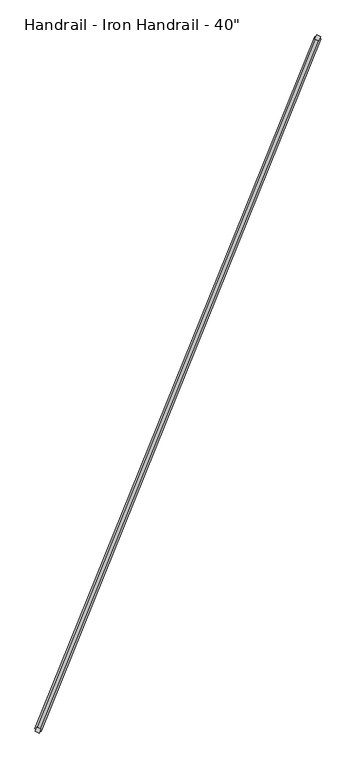
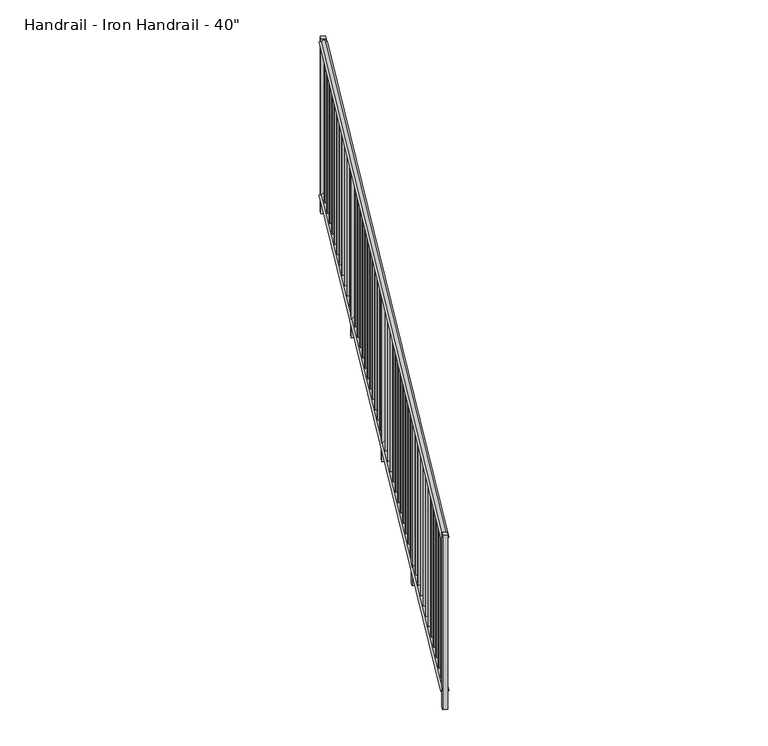
"""IFC4 building model written with IfcOpenShell, lengths in millimetres: railing geometry."""

from ifc_helpers import new_model, si_unit, point, frame, frame_2d, origin, place, context, project, spatial, polyline, circle_curve, trimmed, segment, composite_curve, outline, extrude, source, transform, mapped, element, save


def railing_c544e006(model_context):
    return source(origin(), model_context, "Body", "SweptSolid", [
        extrude(outline(composite_curve([segment(trimmed(circle_curve(frame_2d((9.525, 0.0)), 9.525), [point((19.05, 0.0))], [point((9.525, -9.525))], False, "CARTESIAN"), True, "CONTINUOUS"), segment(trimmed(circle_curve(frame_2d((0.0, -9.525)), 9.525), [point((9.525, -9.525))], [point((-9.525, -9.525))], False, "CARTESIAN"), True, "CONTINUOUS"), segment(trimmed(circle_curve(frame_2d((-9.525, 0.0)), 9.525), [point((-9.525, -9.525))], [point((-19.05, 0.0))], False, "CARTESIAN"), True, "CONTINUOUS"), segment(polyline([(-19.05, 0.0), (19.05, 0.0)]), True, "CONTINUOUS")], self_intersect=False)), frame((-15926.6106463, -6533.482808, 4064.0), z_axis=(0.3746065934159134, 0.9271838545667869, 0.0), x_axis=(0.9271838545667869, -0.3746065934159134, 0.0)), (0.0, 0.0, 1.0), 4267.2),
        extrude(outline(composite_curve([segment(trimmed(circle_curve(frame_2d((9.525, 0.0)), 9.525), [point((19.05, 0.0))], [point((9.525, -9.525))], False, "CARTESIAN"), True, "CONTINUOUS"), segment(trimmed(circle_curve(frame_2d((0.0, -9.525)), 9.525), [point((9.525, -9.525))], [point((-9.525, -9.525))], False, "CARTESIAN"), True, "CONTINUOUS"), segment(trimmed(circle_curve(frame_2d((-9.525, 0.0)), 9.525), [point((-9.525, -9.525))], [point((-19.05, 0.0))], False, "CARTESIAN"), True, "CONTINUOUS"), segment(polyline([(-19.05, 0.0), (19.05, 0.0)]), True, "CONTINUOUS")], self_intersect=False)), frame((-15926.6106463, -6533.482808, 3149.6), z_axis=(0.3746065934159134, 0.9271838545667869, 0.0), x_axis=(0.9271838545667869, -0.3746065934159134, 0.0)), (0.0, 0.0, 1.0), 4267.2),
        extrude(outline(polyline([(-14357.8830514, -2667.6968778), (-14369.6582864, -2662.9393741), (-14364.9007826, -2651.1641391), (-14353.1255477, -2655.9216429), (-14357.8830514, -2667.6968778)])), frame((0.0, 0.0, 3168.65), z_axis=(0.0, 0.0, 1.0), x_axis=(1.0, 0.0, 0.0)), (0.0, 0.0, 1.0), 895.35),
        extrude(outline(polyline([(-14391.1855776, -2750.1235225), (-14402.9608125, -2745.3660188), (-14398.2033088, -2733.5907838), (-14386.4280738, -2738.3482876), (-14391.1855776, -2750.1235225)])), frame((0.0, 0.0, 3168.65), z_axis=(0.0, 0.0, 1.0), x_axis=(1.0, 0.0, 0.0)), (0.0, 0.0, 1.0), 895.35),
        extrude(outline(polyline([(-14424.4881037, -2832.5501672), (-14436.2633387, -2827.7926634), (-14431.5058349, -2816.0174285), (-14419.7306, -2820.7749322), (-14424.4881037, -2832.5501672)])), frame((0.0, 0.0, 3168.65), z_axis=(0.0, 0.0, 1.0), x_axis=(1.0, 0.0, 0.0)), (0.0, 0.0, 1.0), 895.35),
        extrude(outline(polyline([(-14457.7906299, -2914.9768118), (-14469.5658648, -2910.2193081), (-14464.8083611, -2898.4440732), (-14453.0331261, -2903.2015769), (-14457.7906299, -2914.9768118)])), frame((0.0, 0.0, 3168.65), z_axis=(0.0, 0.0, 1.0), x_axis=(1.0, 0.0, 0.0)), (0.0, 0.0, 1.0), 895.35),
        extrude(outline(polyline([(-14491.093156, -2997.4034565), (-14502.868391, -2992.6459528), (-14498.1108872, -2980.8707178), (-14486.3356523, -2985.6282216), (-14491.093156, -2997.4034565)])), frame((0.0, 0.0, 3168.65), z_axis=(0.0, 0.0, 1.0), x_axis=(1.0, 0.0, 0.0)), (0.0, 0.0, 1.0), 895.35),
        extrude(outline(polyline([(-14524.3956822, -3079.8301012), (-14536.1709171, -3075.0725975), (-14531.4134134, -3063.2973625), (-14519.6381784, -3068.0548662), (-14524.3956822, -3079.8301012)])), frame((0.0, 0.0, 3168.65), z_axis=(0.0, 0.0, 1.0), x_axis=(1.0, 0.0, 0.0)), (0.0, 0.0, 1.0), 895.35),
        extrude(outline(polyline([(-14557.6982083, -3162.2567459), (-14569.4734433, -3157.4992421), (-14564.7159396, -3145.7240072), (-14552.9407046, -3150.4815109), (-14557.6982083, -3162.2567459)])), frame((0.0, 0.0, 3168.65), z_axis=(0.0, 0.0, 1.0), x_axis=(1.0, 0.0, 0.0)), (0.0, 0.0, 1.0), 895.35),
        extrude(outline(polyline([(-14591.0007345, -3244.6833905), (-14602.7759694, -3239.9258868), (-14598.0184657, -3228.1506518), (-14586.2432308, -3232.9081556), (-14591.0007345, -3244.6833905)])), frame((0.0, 0.0, 3168.65), z_axis=(0.0, 0.0, 1.0), x_axis=(1.0, 0.0, 0.0)), (0.0, 0.0, 1.0), 895.35),
        extrude(outline(polyline([(-14624.3032606, -3327.1100352), (-14636.0784956, -3322.3525315), (-14631.3209919, -3310.5772965), (-14619.5457569, -3315.3348002), (-14624.3032606, -3327.1100352)])), frame((0.0, 0.0, 3168.65), z_axis=(0.0, 0.0, 1.0), x_axis=(1.0, 0.0, 0.0)), (0.0, 0.0, 1.0), 895.35),
        extrude(outline(polyline([(-14657.6057868, -3409.5366799), (-14669.3810218, -3404.7791761), (-14664.623518, -3393.0039412), (-14652.8482831, -3397.7614449), (-14657.6057868, -3409.5366799)])), frame((0.0, 0.0, 3168.65), z_axis=(0.0, 0.0, 1.0), x_axis=(1.0, 0.0, 0.0)), (0.0, 0.0, 1.0), 895.35),
        extrude(outline(polyline([(-14690.908313, -3491.9633245), (-14702.6835479, -3487.2058208), (-14697.9260442, -3475.4305859), (-14686.1508092, -3480.1880896), (-14690.908313, -3491.9633245)])), frame((0.0, 0.0, 3168.65), z_axis=(0.0, 0.0, 1.0), x_axis=(1.0, 0.0, 0.0)), (0.0, 0.0, 1.0), 895.35),
        extrude(outline(polyline([(-14720.7019735, -3582.6563386), (-14744.2524434, -3573.1413311), (-14734.7374359, -3549.5908612), (-14711.186966, -3559.1058687), (-14720.7019735, -3582.6563386)])), frame((0.0, 0.0, 3048.0), z_axis=(0.0, 0.0, 1.0), x_axis=(1.0, 0.0, 0.0)), (0.0, 0.0, 1.0), 1016.0),
        extrude(outline(polyline([(-14757.5133653, -3656.8166139), (-14769.2886002, -3652.0591101), (-14764.5310965, -3640.2838752), (-14752.7558615, -3645.0413789), (-14757.5133653, -3656.8166139)])), frame((0.0, 0.0, 3168.65), z_axis=(0.0, 0.0, 1.0), x_axis=(1.0, 0.0, 0.0)), (0.0, 0.0, 1.0), 895.35),
        extrude(outline(polyline([(-14790.8158914, -3739.2432586), (-14802.5911264, -3734.4857548), (-14797.8336226, -3722.7105199), (-14786.0583877, -3727.4680236), (-14790.8158914, -3739.2432586)])), frame((0.0, 0.0, 3168.65), z_axis=(0.0, 0.0, 1.0), x_axis=(1.0, 0.0, 0.0)), (0.0, 0.0, 1.0), 895.35),
        extrude(outline(polyline([(-14824.1184176, -3821.6699032), (-14835.8936525, -3816.9123995), (-14831.1361488, -3805.1371645), (-14819.3609138, -3809.8946683), (-14824.1184176, -3821.6699032)])), frame((0.0, 0.0, 3168.65), z_axis=(0.0, 0.0, 1.0), x_axis=(1.0, 0.0, 0.0)), (0.0, 0.0, 1.0), 895.35),
        extrude(outline(polyline([(-14857.4209437, -3904.0965479), (-14869.1961787, -3899.3390442), (-14864.4386749, -3887.5638092), (-14852.66344, -3892.3213129), (-14857.4209437, -3904.0965479)])), frame((0.0, 0.0, 3168.65), z_axis=(0.0, 0.0, 1.0), x_axis=(1.0, 0.0, 0.0)), (0.0, 0.0, 1.0), 895.35),
        extrude(outline(polyline([(-14890.7234699, -3986.5231926), (-14902.4987048, -3981.7656888), (-14897.7412011, -3969.9904539), (-14885.9659661, -3974.7479576), (-14890.7234699, -3986.5231926)])), frame((0.0, 0.0, 3168.65), z_axis=(0.0, 0.0, 1.0), x_axis=(1.0, 0.0, 0.0)), (0.0, 0.0, 1.0), 895.35),
        extrude(outline(polyline([(-14924.025996, -4068.9498372), (-14935.801231, -4064.1923335), (-14931.0437273, -4052.4170986), (-14919.2684923, -4057.1746023), (-14924.025996, -4068.9498372)])), frame((0.0, 0.0, 3168.65), z_axis=(0.0, 0.0, 1.0), x_axis=(1.0, 0.0, 0.0)), (0.0, 0.0, 1.0), 895.35),
        extrude(outline(polyline([(-14957.3285222, -4151.3764819), (-14969.1037571, -4146.6189782), (-14964.3462534, -4134.8437432), (-14952.5710185, -4139.601247), (-14957.3285222, -4151.3764819)])), frame((0.0, 0.0, 3168.65), z_axis=(0.0, 0.0, 1.0), x_axis=(1.0, 0.0, 0.0)), (0.0, 0.0, 1.0), 895.35),
        extrude(outline(polyline([(-14990.6310483, -4233.8031266), (-15002.4062833, -4229.0456228), (-14997.6487796, -4217.2703879), (-14985.8735446, -4222.0278916), (-14990.6310483, -4233.8031266)])), frame((0.0, 0.0, 3168.65), z_axis=(0.0, 0.0, 1.0), x_axis=(1.0, 0.0, 0.0)), (0.0, 0.0, 1.0), 895.35),
        extrude(outline(polyline([(-15023.9335745, -4316.2297713), (-15035.7088095, -4311.4722675), (-15030.9513057, -4299.6970326), (-15019.1760708, -4304.4545363), (-15023.9335745, -4316.2297713)])), frame((0.0, 0.0, 3168.65), z_axis=(0.0, 0.0, 1.0), x_axis=(1.0, 0.0, 0.0)), (0.0, 0.0, 1.0), 895.35),
        extrude(outline(polyline([(-15057.2361007, -4398.6564159), (-15069.0113356, -4393.8989122), (-15064.2538319, -4382.1236772), (-15052.4785969, -4386.881181), (-15057.2361007, -4398.6564159)])), frame((0.0, 0.0, 3168.65), z_axis=(0.0, 0.0, 1.0), x_axis=(1.0, 0.0, 0.0)), (0.0, 0.0, 1.0), 895.35),
        extrude(outline(polyline([(-15090.5386268, -4481.0830606), (-15102.3138618, -4476.3255569), (-15097.556358, -4464.5503219), (-15085.7811231, -4469.3078256), (-15090.5386268, -4481.0830606)])), frame((0.0, 0.0, 3168.65), z_axis=(0.0, 0.0, 1.0), x_axis=(1.0, 0.0, 0.0)), (0.0, 0.0, 1.0), 895.35),
        extrude(outline(polyline([(-15120.3322874, -4571.7760746), (-15143.8827573, -4562.2610671), (-15134.3677498, -4538.7105972), (-15110.8172799, -4548.2256047), (-15120.3322874, -4571.7760746)])), frame((0.0, 0.0, 3048.0), z_axis=(0.0, 0.0, 1.0), x_axis=(1.0, 0.0, 0.0)), (0.0, 0.0, 1.0), 1016.0),
        extrude(outline(polyline([(-15157.1436791, -4645.9363499), (-15168.9189141, -4641.1788462), (-15164.1614103, -4629.4036112), (-15152.3861754, -4634.161115), (-15157.1436791, -4645.9363499)])), frame((0.0, 0.0, 3168.65), z_axis=(0.0, 0.0, 1.0), x_axis=(1.0, 0.0, 0.0)), (0.0, 0.0, 1.0), 895.35),
        extrude(outline(polyline([(-15190.4462053, -4728.3629946), (-15202.2214402, -4723.6054909), (-15197.4639365, -4711.8302559), (-15185.6887015, -4716.5877597), (-15190.4462053, -4728.3629946)])), frame((0.0, 0.0, 3168.65), z_axis=(0.0, 0.0, 1.0), x_axis=(1.0, 0.0, 0.0)), (0.0, 0.0, 1.0), 895.35),
        extrude(outline(polyline([(-15223.7487314, -4810.7896393), (-15235.5239664, -4806.0321355), (-15230.7664626, -4794.2569006), (-15218.9912277, -4799.0144043), (-15223.7487314, -4810.7896393)])), frame((0.0, 0.0, 3168.65), z_axis=(0.0, 0.0, 1.0), x_axis=(1.0, 0.0, 0.0)), (0.0, 0.0, 1.0), 895.35),
        extrude(outline(polyline([(-15257.0512576, -4893.2162839), (-15268.8264925, -4888.4587802), (-15264.0689888, -4876.6835453), (-15252.2937538, -4881.441049), (-15257.0512576, -4893.2162839)])), frame((0.0, 0.0, 3168.65), z_axis=(0.0, 0.0, 1.0), x_axis=(1.0, 0.0, 0.0)), (0.0, 0.0, 1.0), 895.35),
        extrude(outline(polyline([(-15290.3537837, -4975.6429286), (-15302.1290187, -4970.8854249), (-15297.371515, -4959.1101899), (-15285.59628, -4963.8676937), (-15290.3537837, -4975.6429286)])), frame((0.0, 0.0, 3168.65), z_axis=(0.0, 0.0, 1.0), x_axis=(1.0, 0.0, 0.0)), (0.0, 0.0, 1.0), 895.35),
        extrude(outline(polyline([(-15323.6563099, -5058.0695733), (-15335.4315448, -5053.3120696), (-15330.6740411, -5041.5368346), (-15318.8988062, -5046.2943383), (-15323.6563099, -5058.0695733)])), frame((0.0, 0.0, 3168.65), z_axis=(0.0, 0.0, 1.0), x_axis=(1.0, 0.0, 0.0)), (0.0, 0.0, 1.0), 895.35),
        extrude(outline(polyline([(-15356.9588361, -5140.496218), (-15368.734071, -5135.7387142), (-15363.9765673, -5123.9634793), (-15352.2013323, -5128.720983), (-15356.9588361, -5140.496218)])), frame((0.0, 0.0, 3168.65), z_axis=(0.0, 0.0, 1.0), x_axis=(1.0, 0.0, 0.0)), (0.0, 0.0, 1.0), 895.35),
        extrude(outline(polyline([(-15390.2613622, -5222.9228626), (-15402.0365972, -5218.1653589), (-15397.2790934, -5206.3901239), (-15385.5038585, -5211.1476277), (-15390.2613622, -5222.9228626)])), frame((0.0, 0.0, 3168.65), z_axis=(0.0, 0.0, 1.0), x_axis=(1.0, 0.0, 0.0)), (0.0, 0.0, 1.0), 895.35),
        extrude(outline(polyline([(-15423.5638884, -5305.3495073), (-15435.3391233, -5300.5920036), (-15430.5816196, -5288.8167686), (-15418.8063846, -5293.5742724), (-15423.5638884, -5305.3495073)])), frame((0.0, 0.0, 3168.65), z_axis=(0.0, 0.0, 1.0), x_axis=(1.0, 0.0, 0.0)), (0.0, 0.0, 1.0), 895.35),
        extrude(outline(polyline([(-15456.8664145, -5387.776152), (-15468.6416495, -5383.0186482), (-15463.8841457, -5371.2434133), (-15452.1089108, -5376.000917), (-15456.8664145, -5387.776152)])), frame((0.0, 0.0, 3168.65), z_axis=(0.0, 0.0, 1.0), x_axis=(1.0, 0.0, 0.0)), (0.0, 0.0, 1.0), 895.35),
        extrude(outline(polyline([(-15490.1689407, -5470.2027966), (-15501.9441756, -5465.4452929), (-15497.1866719, -5453.670058), (-15485.4114369, -5458.4275617), (-15490.1689407, -5470.2027966)])), frame((0.0, 0.0, 3168.65), z_axis=(0.0, 0.0, 1.0), x_axis=(1.0, 0.0, 0.0)), (0.0, 0.0, 1.0), 895.35),
        extrude(outline(polyline([(-15519.9626012, -5560.8958107), (-15543.5130711, -5551.3808032), (-15533.9980636, -5527.8303333), (-15510.4475937, -5537.3453408), (-15519.9626012, -5560.8958107)])), frame((0.0, 0.0, 3048.0), z_axis=(0.0, 0.0, 1.0), x_axis=(1.0, 0.0, 0.0)), (0.0, 0.0, 1.0), 1016.0),
        extrude(outline(polyline([(-15556.773993, -5635.056086), (-15568.5492279, -5630.2985823), (-15563.7917242, -5618.5233473), (-15552.0164892, -5623.280851), (-15556.773993, -5635.056086)])), frame((0.0, 0.0, 3168.65), z_axis=(0.0, 0.0, 1.0), x_axis=(1.0, 0.0, 0.0)), (0.0, 0.0, 1.0), 895.35),
        extrude(outline(polyline([(-15590.0765191, -5717.4827307), (-15601.8517541, -5712.7252269), (-15597.0942503, -5700.949992), (-15585.3190154, -5705.7074957), (-15590.0765191, -5717.4827307)])), frame((0.0, 0.0, 3168.65), z_axis=(0.0, 0.0, 1.0), x_axis=(1.0, 0.0, 0.0)), (0.0, 0.0, 1.0), 895.35),
        extrude(outline(polyline([(-15623.3790453, -5799.9093753), (-15635.1542802, -5795.1518716), (-15630.3967765, -5783.3766366), (-15618.6215416, -5788.1341404), (-15623.3790453, -5799.9093753)])), frame((0.0, 0.0, 3168.65), z_axis=(0.0, 0.0, 1.0), x_axis=(1.0, 0.0, 0.0)), (0.0, 0.0, 1.0), 895.35),
        extrude(outline(polyline([(-15656.6815714, -5882.33602), (-15668.4568064, -5877.5785163), (-15663.6993027, -5865.8032813), (-15651.9240677, -5870.560785), (-15656.6815714, -5882.33602)])), frame((0.0, 0.0, 3168.65), z_axis=(0.0, 0.0, 1.0), x_axis=(1.0, 0.0, 0.0)), (0.0, 0.0, 1.0), 895.35),
        extrude(outline(polyline([(-15689.9840976, -5964.7626647), (-15701.7593325, -5960.0051609), (-15697.0018288, -5948.229926), (-15685.2265939, -5952.9874297), (-15689.9840976, -5964.7626647)])), frame((0.0, 0.0, 3168.65), z_axis=(0.0, 0.0, 1.0), x_axis=(1.0, 0.0, 0.0)), (0.0, 0.0, 1.0), 895.35),
        extrude(outline(polyline([(-15723.2866238, -6047.1893093), (-15735.0618587, -6042.4318056), (-15730.304355, -6030.6565707), (-15718.52912, -6035.4140744), (-15723.2866238, -6047.1893093)])), frame((0.0, 0.0, 3168.65), z_axis=(0.0, 0.0, 1.0), x_axis=(1.0, 0.0, 0.0)), (0.0, 0.0, 1.0), 895.35),
        extrude(outline(polyline([(-15756.5891499, -6129.615954), (-15768.3643849, -6124.8584503), (-15763.6068811, -6113.0832153), (-15751.8316462, -6117.8407191), (-15756.5891499, -6129.615954)])), frame((0.0, 0.0, 3168.65), z_axis=(0.0, 0.0, 1.0), x_axis=(1.0, 0.0, 0.0)), (0.0, 0.0, 1.0), 895.35),
        extrude(outline(polyline([(-15789.8916761, -6212.0425987), (-15801.666911, -6207.2850949), (-15796.9094073, -6195.50986), (-15785.1341723, -6200.2673637), (-15789.8916761, -6212.0425987)])), frame((0.0, 0.0, 3168.65), z_axis=(0.0, 0.0, 1.0), x_axis=(1.0, 0.0, 0.0)), (0.0, 0.0, 1.0), 895.35),
        extrude(outline(polyline([(-15823.1942022, -6294.4692434), (-15834.9694372, -6289.7117396), (-15830.2119334, -6277.9365047), (-15818.4366985, -6282.6940084), (-15823.1942022, -6294.4692434)])), frame((0.0, 0.0, 3168.65), z_axis=(0.0, 0.0, 1.0), x_axis=(1.0, 0.0, 0.0)), (0.0, 0.0, 1.0), 895.35),
        extrude(outline(polyline([(-15856.4967284, -6376.895888), (-15868.2719633, -6372.1383843), (-15863.5144596, -6360.3631493), (-15851.7392246, -6365.1206531), (-15856.4967284, -6376.895888)])), frame((0.0, 0.0, 3168.65), z_axis=(0.0, 0.0, 1.0), x_axis=(1.0, 0.0, 0.0)), (0.0, 0.0, 1.0), 895.35),
        extrude(outline(polyline([(-15889.7992545, -6459.3225327), (-15901.5744895, -6454.565029), (-15896.8169857, -6442.789794), (-15885.0417508, -6447.5472977), (-15889.7992545, -6459.3225327)])), frame((0.0, 0.0, 3168.65), z_axis=(0.0, 0.0, 1.0), x_axis=(1.0, 0.0, 0.0)), (0.0, 0.0, 1.0), 895.35),
        extrude(outline(polyline([(-14321.0716596, -2593.5366025), (-14344.6221296, -2584.021595), (-14335.1071221, -2560.4711251), (-14311.5566522, -2569.9861326), (-14321.0716596, -2593.5366025)])), frame((0.0, 0.0, 3048.0), z_axis=(0.0, 0.0, 1.0), x_axis=(1.0, 0.0, 0.0)), (0.0, 0.0, 1.0), 1041.4),
        extrude(outline(polyline([(-15919.5929151, -6550.0155467), (-15943.143385, -6540.5005392), (-15933.6283775, -6516.9500693), (-15910.0779076, -6526.4650768), (-15919.5929151, -6550.0155467)])), frame((0.0, 0.0, 3048.0), z_axis=(0.0, 0.0, 1.0), x_axis=(1.0, 0.0, 0.0)), (0.0, 0.0, 1.0), 1041.4),
    ])


if __name__ == "__main__":
    model = new_model("IFC4")
    model_context = context("Model", 3, world=origin())
    ifc_project = project(units=[si_unit("LENGTHUNIT", "METRE", prefix="MILLI")], contexts=[model_context])
    site = spatial("IfcSite", under=ifc_project)
    building = spatial("IfcBuilding", under=site)
    placement = place(None, origin())
    railing_shape = railing_c544e006(model_context)
    element("IfcRailing", 1, ObjectType="Handrail - Iron Handrail - 40\"", at=placement, inside=building, context=model_context, shape_type="MappedRepresentation", body=[
        mapped(railing_shape, transform((0.0, 0.0, 0.0), x_axis=(1.0, 0.0, 0.0), y_axis=(0.0, 1.0, 0.0), z_axis=(0.0, 0.0, 1.0))),
    ])
    save(model, "model.ifc")
